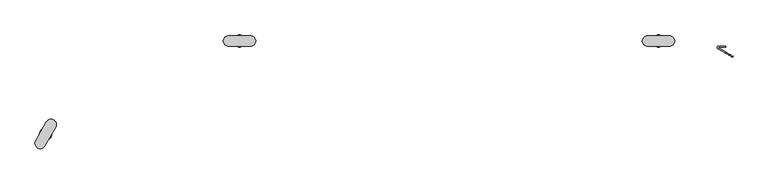
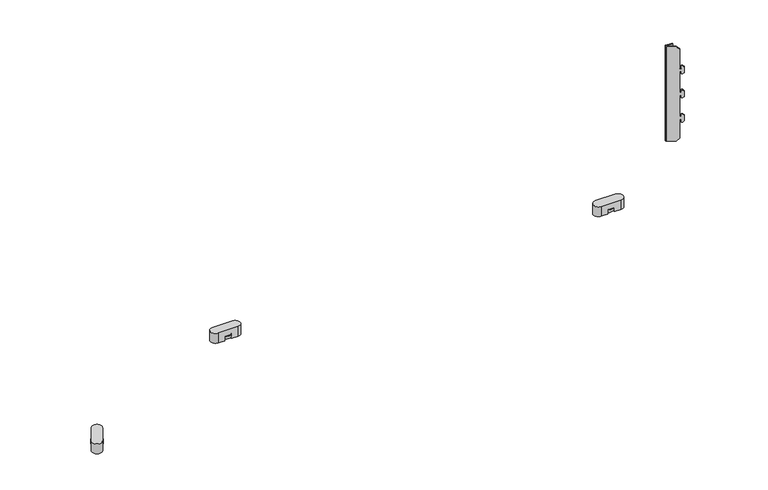
"""IFC4 building model written with IfcOpenShell, lengths in millimetres: furniture geometry."""

from ifc_helpers import new_model, si_unit, point, frame, frame_2d, origin, place, context, project, spatial, polyline, circle_curve, trimmed, segment, composite_curve, outline, extrude, source, transform, mapped, element, save
from ifc_brep_helpers import plane_surface, cylinder_surface, revolved_surface, advanced_brep


def furniture_07861d0c(model_context):
    return source(origin(), model_context, "Body", "SolidModel", [
        advanced_brep(
        [(1336.9143288, -32.9117824, 323.9031218), (1342.1770838, -35.9502354, 317.8262158), (1342.1770838, -35.9502354, 276.6756266), (1344.6104582, -37.3551448, 276.6756266), (1344.6104582, -37.3551448, 282.5751605), (1347.2407143, -38.8737238, 282.5751605), (1349.4442688, -40.1459466, 280.0307149), (1349.4442688, -40.1459466, 267.9465768), (1347.2433427, -38.8752413, 265.4051662), (1344.6104582, -37.3551448, 265.4051662), (1344.6104582, -37.3551448, 271.3105955), (1342.1770838, -35.9502354, 271.3105955), (1342.1770838, -35.9502354, 224.3556612), (1344.6104582, -37.3551448, 224.3556612), (1344.6104582, -37.3551448, 230.2551951), (1347.2407143, -38.8737238, 230.2551951), (1349.4442688, -40.1459466, 227.7107495), (1349.4442688, -40.1459466, 215.6266115), (1347.2433427, -38.8752413, 213.0852009), (1344.6104582, -37.3551448, 213.0852009), (1344.6104582, -37.3551448, 218.9906301), (1342.1770838, -35.9502354, 218.9906301), (1342.1770838, -35.9502354, 172.0256189), (1344.6104582, -37.3551448, 172.0256189), (1344.6104582, -37.3551448, 177.9251529), (1347.2407143, -38.8737238, 177.9251529), (1349.4442688, -40.1459466, 175.3807073), (1349.4442688, -40.1459466, 163.2965692), (1347.2433427, -38.8752413, 160.7551586), (1344.6104582, -37.3551448, 160.7551586), (1344.6104582, -37.3551448, 166.6605879), (1342.1770838, -35.9502354, 166.6605879), (1342.1770838, -35.9502354, 125.5200268), (1336.9143291, -32.9117826, 119.4431211), (1322.0765894, -24.3452096, 119.4431211), (1322.0765894, -24.3452096, 323.9031218), (1335.9681612, -34.5505935, 119.4431211), (1341.2309158, -37.5890463, 125.5200268), (1341.2309158, -37.5890463, 166.6605879), (1343.6642903, -38.9939558, 166.6605879), (1343.6642903, -38.9939558, 160.7551586), (1346.2971747, -40.5140523, 160.7551586), (1348.4981009, -41.7847576, 163.2965692), (1348.4981009, -41.7847576, 175.3807073), (1346.2945464, -40.5125348, 177.9251529), (1343.6642903, -38.9939558, 177.9251529), (1343.6642903, -38.9939558, 172.0256189), (1341.2309158, -37.5890463, 172.0256189), (1341.2309158, -37.5890463, 218.9906301), (1343.6642903, -38.9939558, 218.9906301), (1343.6642903, -38.9939558, 213.0852009), (1346.2971747, -40.5140523, 213.0852009), (1348.4981009, -41.7847576, 215.6266115), (1348.4981009, -41.7847576, 227.7107495), (1346.2945464, -40.5125348, 230.2551951), (1343.6642903, -38.9939558, 230.2551951), (1343.6642903, -38.9939558, 224.3556612), (1341.2309158, -37.5890463, 224.3556612), (1341.2309158, -37.5890463, 271.3105955), (1343.6642903, -38.9939558, 271.3105955), (1343.6642903, -38.9939558, 265.4051662), (1346.2971747, -40.5140523, 265.4051662), (1348.4981009, -41.7847576, 267.9465768), (1348.4981009, -41.7847576, 280.0307149), (1346.2945464, -40.5125348, 282.5751605), (1343.6642903, -38.9939558, 282.5751605), (1343.6642903, -38.9939558, 276.6756266), (1341.2309158, -37.5890463, 276.6756266), (1341.2309158, -37.5890463, 317.8262158), (1335.9681609, -34.5505933, 323.9031218), (1321.1304095, -25.9840136, 323.9031218), (1321.1304095, -25.9840136, 119.4431211), (1322.4622047, -22.9281911, 323.9031218), (1335.3405853, -22.9281911, 323.9031218), (1335.3405853, -21.0353091, 323.9031218), (1322.4622047, -21.0353091, 323.9031218), (1319.9241954, -22.8417185, 323.9031218), (1319.9241954, -22.8417185, 119.4431211), (1322.4622047, -21.0353091, 119.4431211), (1335.3405853, -21.0353091, 119.4431211), (1335.3405853, -22.9281911, 119.4431211), (1322.4622047, -22.9281911, 119.4431211)],
        [
            (0, 1),
            (1, 2),
            (2, 3),
            (3, 4),
            (4, 5),
            (5, 6),
            (6, 7),
            (7, 8),
            (8, 9),
            (9, 10),
            (10, 11),
            (11, 12),
            (12, 13),
            (13, 14),
            (14, 15),
            (15, 16),
            (16, 17),
            (17, 18),
            (18, 19),
            (19, 20),
            (20, 21),
            (21, 22),
            (22, 23),
            (23, 24),
            (24, 25),
            (25, 26),
            (26, 27),
            (27, 28),
            (28, 29),
            (29, 30),
            (30, 31),
            (31, 32),
            (32, 33),
            (33, 34),
            (34, 35),
            (35, 0),
            (36, 37),
            (37, 38),
            (38, 39),
            (39, 40),
            (40, 41),
            (41, 42),
            (42, 43),
            (43, 44),
            (44, 45),
            (45, 46),
            (46, 47),
            (47, 48),
            (48, 49),
            (49, 50),
            (50, 51),
            (51, 52),
            (52, 53),
            (53, 54),
            (54, 55),
            (55, 56),
            (56, 57),
            (57, 58),
            (58, 59),
            (59, 60),
            (60, 61),
            (61, 62),
            (62, 63),
            (63, 64),
            (64, 65),
            (65, 66),
            (66, 67),
            (67, 68),
            (68, 69),
            (69, 70),
            (70, 71),
            (71, 36),
            (35, 72, circle_curve(frame((1322.4562845, -23.6875583, 323.9031218), z_axis=(0.0, 0.0, -1.0), x_axis=(1.0, 0.0, 0.0)), 0.7593903)),
            (72, 73),
            (73, 74),
            (74, 75),
            (75, 76, circle_curve(frame((1322.4111897, -23.6497919, 323.9031218), z_axis=(0.0, 0.0, 1.0), x_axis=(1.0, 0.0, 0.0)), 2.6149805)),
            (76, 70, circle_curve(frame((1322.4675081, -23.6680909, 323.9031218), z_axis=(0.0, 0.0, 1.0), x_axis=(1.0, 0.0, 0.0)), 2.6741972)),
            (69, 0),
            (68, 1),
            (67, 2),
            (66, 3),
            (65, 4),
            (64, 5),
            (63, 6),
            (62, 7),
            (61, 8),
            (60, 9),
            (59, 10),
            (58, 11),
            (57, 12),
            (56, 13),
            (55, 14),
            (54, 15),
            (53, 16),
            (52, 17),
            (51, 18),
            (50, 19),
            (49, 20),
            (48, 21),
            (47, 22),
            (46, 23),
            (45, 24),
            (44, 25),
            (43, 26),
            (42, 27),
            (41, 28),
            (40, 29),
            (39, 30),
            (38, 31),
            (37, 32),
            (36, 33),
            (71, 77, circle_curve(frame((1322.4675081, -23.6680909, 119.4431211), z_axis=(0.0, 0.0, -1.0), x_axis=(1.0, 0.0, 0.0)), 2.6741972)),
            (77, 78, circle_curve(frame((1322.4111897, -23.6497919, 119.4431211), z_axis=(0.0, 0.0, -1.0), x_axis=(1.0, 0.0, 0.0)), 2.6149805)),
            (78, 79),
            (79, 80),
            (80, 81),
            (81, 34, circle_curve(frame((1322.4562845, -23.6875583, 119.4431211), z_axis=(0.0, 0.0, 1.0), x_axis=(1.0, 0.0, 0.0)), 0.7593903)),
            (81, 72),
            (80, 73),
            (79, 74),
            (78, 75),
            (77, 76),
        ],
        [
            plane_surface(frame((1330.5913574, -29.2612132, 323.9031218), z_axis=(0.5000000000000026, 0.8660254037844372, 0.0), x_axis=(0.0, 0.0, 1.0))),
            plane_surface(frame((1329.6451895, -30.9000241, 323.9031218), z_axis=(-0.5000000000000026, -0.8660254037844372, 0.0), x_axis=(0.0, 0.0, -1.0))),
            plane_surface(frame((1330.5913574, -29.2612132, 323.9031218), z_axis=(0.0, 0.0, 1.0), x_axis=(-0.5000000000000133, -0.866025403784431, 0.0))),
            plane_surface(frame((1336.9143288, -32.9117824, 323.9031218), z_axis=(0.6123724356957576, -0.35355339059326496, 0.7071067811865841), x_axis=(-0.5000000000000133, -0.866025403784431, 0.0))),
            plane_surface(frame((1342.1770838, -35.9502354, 317.8262158), z_axis=(0.866025403784431, -0.5000000000000133, 0.0), x_axis=(-0.5000000000000133, -0.866025403784431, 0.0))),
            plane_surface(frame((1342.1770838, -35.9502354, 276.6756266), z_axis=(0.0, 0.0, 1.0), x_axis=(-0.5000000000000133, -0.866025403784431, 0.0))),
            plane_surface(frame((1344.6104582, -37.3551448, 276.6756266), z_axis=(-0.8660254037844305, 0.5000000000000142, 0.0), x_axis=(-0.5000000000000142, -0.8660254037844305, 0.0))),
            plane_surface(frame((1344.6104582, -37.3551448, 282.5751605), z_axis=(0.0, 0.0, 1.0), x_axis=(-0.5000000000000133, -0.866025403784431, 0.0))),
            plane_surface(frame((1347.2407143, -38.8737238, 282.5751605), z_axis=(0.6123724356958354, -0.35355339059331076, 0.7071067811864937), x_axis=(-0.5000000000000142, -0.8660254037844305, 0.0))),
            plane_surface(frame((1349.4442688, -40.1459466, 280.0307149), z_axis=(0.8660254037844316, -0.5000000000000124, 0.0), x_axis=(-0.5000000000000124, -0.8660254037844316, 0.0))),
            plane_surface(frame((1349.4442688, -40.1459466, 267.9465768), z_axis=(0.6123724356957484, -0.3535533905932588, -0.7071067811865951), x_axis=(-0.5000000000000124, -0.8660254037844316, 0.0))),
            plane_surface(frame((1347.2433427, -38.8752413, 265.4051662), z_axis=(0.0, 0.0, -1.0), x_axis=(-0.5000000000000142, -0.8660254037844305, 0.0))),
            plane_surface(frame((1344.6104582, -37.3551448, 265.4051662), z_axis=(-0.8660254037844305, 0.5000000000000142, 0.0), x_axis=(-0.5000000000000142, -0.8660254037844305, 0.0))),
            plane_surface(frame((1344.6104582, -37.3551448, 271.3105955), z_axis=(0.0, 0.0, -1.0), x_axis=(-0.5000000000000142, -0.8660254037844305, 0.0))),
            plane_surface(frame((1342.1770838, -35.9502354, 271.3105955), z_axis=(0.8660254037844305, -0.5000000000000142, 0.0), x_axis=(-0.5000000000000142, -0.8660254037844305, 0.0))),
            plane_surface(frame((1342.1770838, -35.9502354, 224.3556612), z_axis=(0.0, 0.0, 1.0), x_axis=(-0.5000000000000133, -0.866025403784431, 0.0))),
            plane_surface(frame((1344.6104582, -37.3551448, 224.3556612), z_axis=(-0.8660254037844305, 0.5000000000000142, 0.0), x_axis=(-0.5000000000000142, -0.8660254037844305, 0.0))),
            plane_surface(frame((1344.6104582, -37.3551448, 230.2551951), z_axis=(0.0, 0.0, 1.0), x_axis=(-0.5000000000000142, -0.8660254037844305, 0.0))),
            plane_surface(frame((1347.2407143, -38.8737238, 230.2551951), z_axis=(0.6123724356958354, -0.35355339059331076, 0.7071067811864937), x_axis=(-0.5000000000000142, -0.8660254037844305, 0.0))),
            plane_surface(frame((1349.4442688, -40.1459466, 227.7107495), z_axis=(0.8660254037844316, -0.5000000000000124, 0.0), x_axis=(-0.5000000000000124, -0.8660254037844316, 0.0))),
            plane_surface(frame((1349.4442688, -40.1459466, 215.6266115), z_axis=(0.6123724356957484, -0.3535533905932588, -0.7071067811865951), x_axis=(-0.5000000000000124, -0.8660254037844316, 0.0))),
            plane_surface(frame((1347.2433427, -38.8752413, 213.0852009), z_axis=(0.0, 0.0, -1.0), x_axis=(-0.5000000000000142, -0.8660254037844305, 0.0))),
            plane_surface(frame((1344.6104582, -37.3551448, 213.0852009), z_axis=(-0.8660254037844305, 0.5000000000000142, 0.0), x_axis=(-0.5000000000000142, -0.8660254037844305, 0.0))),
            plane_surface(frame((1344.6104582, -37.3551448, 218.9906301), z_axis=(0.0, 0.0, -1.0), x_axis=(-0.5000000000000142, -0.8660254037844305, 0.0))),
            plane_surface(frame((1342.1770838, -35.9502354, 218.9906301), z_axis=(0.866025403784431, -0.5000000000000133, 0.0), x_axis=(-0.5000000000000133, -0.866025403784431, 0.0))),
            plane_surface(frame((1342.1770838, -35.9502354, 172.0256189), z_axis=(0.0, 0.0, 1.0), x_axis=(-0.5000000000000133, -0.866025403784431, 0.0))),
            plane_surface(frame((1344.6104582, -37.3551448, 172.0256189), z_axis=(-0.8660254037844305, 0.5000000000000142, 0.0), x_axis=(-0.5000000000000142, -0.8660254037844305, 0.0))),
            plane_surface(frame((1344.6104582, -37.3551448, 177.9251529), z_axis=(0.0, 0.0, 1.0), x_axis=(-0.5000000000000142, -0.8660254037844305, 0.0))),
            plane_surface(frame((1347.2407143, -38.8737238, 177.9251529), z_axis=(0.6123724356958354, -0.35355339059331076, 0.7071067811864937), x_axis=(-0.5000000000000142, -0.8660254037844305, 0.0))),
            plane_surface(frame((1349.4442688, -40.1459466, 175.3807073), z_axis=(0.8660254037844316, -0.5000000000000124, 0.0), x_axis=(-0.5000000000000124, -0.8660254037844316, 0.0))),
            plane_surface(frame((1349.4442688, -40.1459466, 163.2965692), z_axis=(0.6123724356957484, -0.3535533905932588, -0.7071067811865951), x_axis=(-0.5000000000000124, -0.8660254037844316, 0.0))),
            plane_surface(frame((1347.2433427, -38.8752413, 160.7551586), z_axis=(0.0, 0.0, -1.0), x_axis=(-0.5000000000000142, -0.8660254037844305, 0.0))),
            plane_surface(frame((1344.6104582, -37.3551448, 160.7551586), z_axis=(-0.8660254037844305, 0.5000000000000142, 0.0), x_axis=(-0.5000000000000142, -0.8660254037844305, 0.0))),
            plane_surface(frame((1344.6104582, -37.3551448, 166.6605879), z_axis=(0.0, 0.0, -1.0), x_axis=(-0.5000000000000142, -0.8660254037844305, 0.0))),
            plane_surface(frame((1342.1770838, -35.9502354, 166.6605879), z_axis=(0.866025403784431, -0.5000000000000133, 0.0), x_axis=(-0.5000000000000133, -0.866025403784431, 0.0))),
            plane_surface(frame((1342.1770838, -35.9502354, 125.5200268), z_axis=(0.6123724356957685, -0.3535533905932713, -0.7071067811865716), x_axis=(-0.5000000000000133, -0.866025403784431, 0.0))),
            plane_surface(frame((1336.9143291, -32.9117826, 119.4431211), z_axis=(0.0, 0.0, -1.0), x_axis=(-0.5000000000000133, -0.866025403784431, 0.0))),
            revolved_surface(polyline([(1323.2156748, -23.6875583, 119.4431211), (1323.2156748, -23.6875583, 323.9031218)]), (1322.4562845, -23.6875583, 119.4431211), (0.0, 0.0, -1.0)),
            plane_surface(frame((1322.4622047, -22.9281911, 323.9031218), z_axis=(0.0, -1.0, 0.0), x_axis=(0.0, 0.0, -1.0))),
            plane_surface(frame((1335.3405853, -22.9281911, 323.9031218), z_axis=(1.0, 0.0, 0.0), x_axis=(0.0, 0.0, -1.0))),
            plane_surface(frame((1335.3405853, -21.0353091, 323.9031218), z_axis=(0.0, 1.0, 0.0), x_axis=(0.0, 0.0, -1.0))),
            cylinder_surface(frame((1322.4111897, -23.6497919, 119.4431211), z_axis=(0.0, 0.0, 1.0), x_axis=(1.0, 0.0, 0.0)), 2.6149805),
            cylinder_surface(frame((1322.4675081, -23.6680909, 119.4431211), z_axis=(0.0, 0.0, 1.0), x_axis=(1.0, 0.0, 0.0)), 2.6741972),
        ],
        [
            (0, [[1, 2, 3, 4, 5, 6, 7, 8, 9, 10, 11, 12, 13, 14, 15, 16, 17, 18, 19, 20, 21, 22, 23, 24, 25, 26, 27, 28, 29, 30, 31, 32, 33, 34, 35, 36]]),
            (1, [[37, 38, 39, 40, 41, 42, 43, 44, 45, 46, 47, 48, 49, 50, 51, 52, 53, 54, 55, 56, 57, 58, 59, 60, 61, 62, 63, 64, 65, 66, 67, 68, 69, 70, 71, 72]]),
            (2, [[-36, 73, 74, 75, 76, 77, 78, -70, 79]]),
            (3, [[-1, -79, -69, 80]]),
            (4, [[-2, -80, -68, 81]]),
            (5, [[-3, -81, -67, 82]]),
            (6, [[-4, -82, -66, 83]]),
            (7, [[-5, -83, -65, 84]]),
            (8, [[-6, -84, -64, 85]]),
            (9, [[-7, -85, -63, 86]]),
            (10, [[-8, -86, -62, 87]]),
            (11, [[-9, -87, -61, 88]]),
            (12, [[-10, -88, -60, 89]]),
            (13, [[-11, -89, -59, 90]]),
            (14, [[-12, -90, -58, 91]]),
            (15, [[-13, -91, -57, 92]]),
            (16, [[-14, -92, -56, 93]]),
            (17, [[-15, -93, -55, 94]]),
            (18, [[-16, -94, -54, 95]]),
            (19, [[-17, -95, -53, 96]]),
            (20, [[-18, -96, -52, 97]]),
            (21, [[-19, -97, -51, 98]]),
            (22, [[-20, -98, -50, 99]]),
            (23, [[-21, -99, -49, 100]]),
            (24, [[-22, -100, -48, 101]]),
            (25, [[-23, -101, -47, 102]]),
            (26, [[-24, -102, -46, 103]]),
            (27, [[-25, -103, -45, 104]]),
            (28, [[-26, -104, -44, 105]]),
            (29, [[-27, -105, -43, 106]]),
            (30, [[-28, -106, -42, 107]]),
            (31, [[-29, -107, -41, 108]]),
            (32, [[-30, -108, -40, 109]]),
            (33, [[-31, -109, -39, 110]]),
            (34, [[-32, -110, -38, 111]]),
            (35, [[-33, -111, -37, 112]]),
            (36, [[-34, -112, -72, 113, 114, 115, 116, 117, 118]]),
            (37, [[-73, -35, -118, 119]]),
            (38, [[-74, -119, -117, 120]]),
            (39, [[-75, -120, -116, 121]]),
            (40, [[-76, -121, -115, 122]]),
            (41, [[-77, -122, -114, 123]]),
            (42, [[-78, -123, -113, -71]]),
        ],
    ),
        extrude(outline(composite_curve([segment(trimmed(circle_curve(frame_2d((62.4516152, -185.3692234)), 11.4974827), [point((50.9541325, -185.3692234))], [point((73.9490979, -185.3692234))], False, "CARTESIAN"), True, "CONTINUOUS"), segment(trimmed(circle_curve(frame_2d((62.4516152, -185.3692234)), 11.4974827), [point((73.9490979, -185.3692234))], [point((50.9541325, -185.3692234))], False, "CARTESIAN"), True, "CONTINUOUS")], self_intersect=False)), frame((0.0, 0.0, 2.910432), z_axis=(0.0, 0.0, 1.0), x_axis=(1.0, 0.0, 0.0)), (0.0, 0.0, 1.0), 5.9399384),
        extrude(outline(composite_curve([segment(trimmed(circle_curve(frame_2d((425.5052491, -11.4875032)), 11.4974827), [point((414.0077664, -11.4875032))], [point((437.0027319, -11.4875032))], False, "CARTESIAN"), True, "CONTINUOUS"), segment(trimmed(circle_curve(frame_2d((425.5052491, -11.4875032)), 11.4974827), [point((437.0027319, -11.4875032))], [point((414.0077664, -11.4875032))], False, "CARTESIAN"), True, "CONTINUOUS")], self_intersect=False)), frame((0.0, 0.0, 2.910432), z_axis=(0.0, 0.0, 1.0), x_axis=(1.0, 0.0, 0.0)), (0.0, 0.0, 1.0), 5.9399384),
        extrude(outline(composite_curve([segment(trimmed(circle_curve(frame_2d((1209.8412623, -11.4974436)), 11.4974827), [point((1198.3437796, -11.4974436))], [point((1221.3387451, -11.4974436))], False, "CARTESIAN"), True, "CONTINUOUS"), segment(trimmed(circle_curve(frame_2d((1209.8412623, -11.4974436)), 11.4974827), [point((1221.3387451, -11.4974436))], [point((1198.3437796, -11.4974436))], False, "CARTESIAN"), True, "CONTINUOUS")], self_intersect=False)), frame((0.0, 0.0, 2.910432), z_axis=(0.0, 0.0, 1.0), x_axis=(1.0, 0.0, 0.0)), (0.0, 0.0, 1.0), 5.9399384),
        advanced_brep(
        [(63.8834619, -162.8513762, 21.125433), (43.683913, -197.8380211, 21.125433), (61.037186, -207.8569379, 21.125433), (81.2367348, -172.870293, 21.125433), (63.8834619, -162.8513762, 0.0), (81.2367348, -172.870293, 0.0), (74.6165064, -184.3368649, 0.0), (57.2632335, -174.3179481, 0.0), (61.037186, -207.8569379, 0.0), (43.683913, -197.8380211, 0.0), (50.3041414, -186.3714492, 0.0), (67.6574143, -196.390366, 0.0), (57.2632335, -174.3179481, 8.8503704), (50.3041414, -186.3714492, 8.8503704), (67.6574143, -196.390366, 8.8503704), (74.6165064, -184.3368649, 8.8503704)],
        [
            (0, 1),
            (1, 2, circle_curve(frame((52.3605495, -202.8474795, 21.125433), z_axis=(0.0, 0.0, 1.0), x_axis=(0.4999999999999962, -0.8660254037844408, 0.0)), 10.0189168)),
            (2, 3),
            (3, 0, circle_curve(frame((72.5600983, -167.8608346, 21.125433), z_axis=(0.0, 0.0, 1.0), x_axis=(1.0, 0.0, 0.0)), 10.0189168)),
            (4, 5, circle_curve(frame((72.5600983, -167.8608346, 0.0), z_axis=(0.0, 0.0, -1.0), x_axis=(1.0, 0.0, 0.0)), 10.0189168)),
            (5, 6),
            (6, 7, circle_curve(frame((61.5705182, -186.8953457, 0.0), z_axis=(0.0, 0.0, 1.0), x_axis=(0.499999999999998, -0.8660254037844398, 0.0)), 13.2944963)),
            (7, 4),
            (8, 9, circle_curve(frame((52.3605495, -202.8474795, 0.0), z_axis=(0.0, 0.0, -1.0), x_axis=(0.4999999999999962, -0.8660254037844408, 0.0)), 10.0189168)),
            (9, 10),
            (10, 11, circle_curve(frame((63.3501296, -183.8129684, 0.0), z_axis=(0.0, 0.0, 1.0), x_axis=(1.0, 0.0, 0.0)), 13.2944963)),
            (11, 8),
            (0, 4),
            (7, 12),
            (12, 13),
            (13, 10),
            (9, 1),
            (8, 2),
            (11, 14),
            (14, 15),
            (15, 6),
            (5, 3),
            (14, 13, circle_curve(frame((63.3501296, -183.8129684, 8.8503704), z_axis=(0.0, 0.0, -1.0), x_axis=(1.0, 0.0, 0.0)), 13.2944963)),
            (12, 15, circle_curve(frame((61.5705182, -186.8953457, 8.8503704), z_axis=(0.0, 0.0, -1.0), x_axis=(0.499999999999998, -0.8660254037844398, 0.0)), 13.2944963)),
        ],
        [
            plane_surface(frame((43.683913, -197.8380211, 21.125433), z_axis=(0.0, 0.0, 1.0), x_axis=(-0.5000000000000022, -0.8660254037844374, 0.0))),
            plane_surface(frame((43.683913, -197.8380211, 0.0), z_axis=(0.0, 0.0, -1.0), x_axis=(0.5000000000000022, 0.8660254037844374, 0.0))),
            plane_surface(frame((63.8834619, -162.8513762, 21.125433), z_axis=(-0.8660254037844374, 0.5000000000000022, 0.0), x_axis=(0.0, 0.0, -1.0))),
            cylinder_surface(frame((52.3605495, -202.8474795, 0.0), z_axis=(0.0, 0.0, 1.0), x_axis=(0.4999999999999962, -0.8660254037844408, 0.0)), 10.0189168),
            plane_surface(frame((61.037186, -207.8569379, 21.125433), z_axis=(0.8660254037844388, -0.49999999999999983, 0.0), x_axis=(0.0, 0.0, -1.0))),
            cylinder_surface(frame((72.5600983, -167.8608346, 0.0), z_axis=(0.0, 0.0, 1.0), x_axis=(1.0, 0.0, 0.0)), 10.0189168),
            plane_surface(frame((68.2177664, -198.4087172, 8.8503704), z_axis=(0.0, 0.0, -1.0), x_axis=(0.8660254037844398, 0.499999999999998, 0.0))),
            revolved_surface(polyline([(68.21776634999998, -198.40871722631826, 8.8503704), (68.21776634999998, -198.40871722631826, 0.0)]), (61.5705182, -186.8953457, 0.0), (0.0, 0.0, 1.0)),
            revolved_surface(polyline([(76.64462590000001, -183.8129684, 8.8503704), (76.64462590000001, -183.8129684, 0.0)]), (63.3501296, -183.8129684, 0.0), (0.0, 0.0, 1.0)),
        ],
        [
            (0, [[1, 2, 3, 4]]),
            (1, [[5, 6, 7, 8]]),
            (1, [[9, 10, 11, 12]]),
            (2, [[-1, 13, -8, 14, 15, 16, -10, 17]]),
            (3, [[-2, -17, -9, 18]]),
            (4, [[-3, -18, -12, 19, 20, 21, -6, 22]]),
            (5, [[-4, -22, -5, -13]]),
            (6, [[23, -15, 24, -20]]),
            (7, [[-24, -14, -7, -21]]),
            (8, [[-23, -19, -11, -16]]),
        ],
    ),
        advanced_brep(
        [(445.704798, -1.4685864, 21.125433), (405.3057003, -1.4685864, 21.125433), (405.3057003, -21.5064199, 21.125433), (445.704798, -21.5064199, 21.125433), (445.704798, -1.4685864, 0.0), (445.704798, -21.5064199, 0.0), (432.5146315, -21.5064199, 0.0), (432.5146315, -1.4685864, 0.0), (405.3057003, -21.5064199, 0.0), (405.3057003, -1.4685864, 0.0), (418.5964473, -1.4685864, 0.0), (418.5964473, -21.5064199, 0.0), (432.5146315, -1.4685864, 8.8503704), (418.5964473, -1.4685864, 8.8503704), (418.5964473, -21.5064199, 8.8503704), (432.5146315, -21.5064199, 8.8503704)],
        [
            (0, 1),
            (1, 2, circle_curve(frame((405.3057003, -11.4875032, 21.125433), z_axis=(0.0, 0.0, 1.0), x_axis=(-0.5000000000000067, -0.8660254037844348, 0.0)), 10.0189168)),
            (2, 3),
            (3, 0, circle_curve(frame((445.704798, -11.4875032, 21.125433), z_axis=(0.0, 0.0, 1.0), x_axis=(0.4999999999999971, -0.8660254037844404, 0.0)), 10.0189168)),
            (4, 5, circle_curve(frame((445.704798, -11.4875032, 0.0), z_axis=(0.0, 0.0, -1.0), x_axis=(0.4999999999999971, -0.8660254037844404, 0.0)), 10.0189168)),
            (5, 6),
            (6, 7, circle_curve(frame((423.775928, -11.4875032, 0.0), z_axis=(0.0, 0.0, 1.0), x_axis=(-0.49999999999999867, -0.8660254037844395, 0.0)), 13.2944963)),
            (7, 4),
            (8, 9, circle_curve(frame((405.3057003, -11.4875032, 0.0), z_axis=(0.0, 0.0, -1.0), x_axis=(-0.5000000000000067, -0.8660254037844348, 0.0)), 10.0189168)),
            (9, 10),
            (10, 11, circle_curve(frame((427.3351508, -11.4875032, 0.0), z_axis=(0.0, 0.0, 1.0), x_axis=(0.5000000000000033, -0.8660254037844367, 0.0)), 13.2944963)),
            (11, 8),
            (0, 4),
            (7, 12),
            (12, 13),
            (13, 10),
            (9, 1),
            (8, 2),
            (11, 14),
            (14, 15),
            (15, 6),
            (5, 3),
            (14, 13, circle_curve(frame((427.3351508, -11.4875032, 8.8503704), z_axis=(0.0, 0.0, -1.0), x_axis=(0.5000000000000033, -0.8660254037844367, 0.0)), 13.2944963)),
            (12, 15, circle_curve(frame((423.775928, -11.4875032, 8.8503704), z_axis=(0.0, 0.0, -1.0), x_axis=(-0.49999999999999867, -0.8660254037844395, 0.0)), 13.2944963)),
        ],
        [
            plane_surface(frame((43.683913, -197.8380211, 21.125433), z_axis=(0.0, 0.0, 1.0), x_axis=(-0.5000000000000022, -0.8660254037844374, 0.0))),
            plane_surface(frame((43.683913, -197.8380211, 0.0), z_axis=(0.0, 0.0, -1.0), x_axis=(0.5000000000000022, 0.8660254037844374, 0.0))),
            plane_surface(frame((445.704798, -1.4685864, 21.125433), z_axis=(0.0, 1.0, 0.0), x_axis=(0.0, 0.0, -1.0))),
            cylinder_surface(frame((405.3057003, -11.4875032, 0.0), z_axis=(0.0, 0.0, 0.9999999999999999), x_axis=(-0.5000000000000067, -0.8660254037844348, 0.0)), 10.0189168),
            plane_surface(frame((405.3057003, -21.5064199, 21.125433), z_axis=(0.0, -1.0, 0.0), x_axis=(0.0, 0.0, -1.0))),
            cylinder_surface(frame((445.704798, -11.4875032, 0.0), z_axis=(0.0, 0.0, 1.0), x_axis=(0.4999999999999971, -0.8660254037844404, 0.0)), 10.0189168),
            plane_surface(frame((68.2177664, -198.4087172, 8.8503704), z_axis=(0.0, 0.0, -1.0), x_axis=(0.8660254037844398, 0.499999999999998, 0.0))),
            revolved_surface(polyline([(417.12867985, -23.000874726318237, 8.8503704), (417.12867985, -23.000874726318237, 0.0)]), (423.775928, -11.4875032, 0.0), (0.0, 0.0, 1.0)),
            revolved_surface(polyline([(433.98239895000006, -23.0008747263182, 8.8503704), (433.98239895000006, -23.0008747263182, 0.0)]), (427.3351508, -11.4875032, 0.0), (0.0, 0.0, 1.0)),
        ],
        [
            (0, [[1, 2, 3, 4]]),
            (1, [[5, 6, 7, 8]]),
            (1, [[9, 10, 11, 12]]),
            (2, [[-1, 13, -8, 14, 15, 16, -10, 17]]),
            (3, [[-2, -17, -9, 18]]),
            (4, [[-3, -18, -12, 19, 20, 21, -6, 22]]),
            (5, [[-4, -22, -5, -13]]),
            (6, [[23, -15, 24, -20]]),
            (7, [[-24, -14, -7, -21]]),
            (8, [[-23, -19, -11, -16]]),
        ],
    ),
        advanced_brep(
        [(1230.0408112, -1.4785268, 21.125433), (1189.6417135, -1.4785268, 21.125433), (1189.6417135, -21.5163604, 21.125433), (1230.0408112, -21.5163604, 21.125433), (1230.0408112, -1.4785268, 0.0), (1230.0408112, -21.5163604, 0.0), (1216.8506447, -21.5163604, 0.0), (1216.8506447, -1.4785268, 0.0), (1189.6417135, -21.5163604, 0.0), (1189.6417135, -1.4785268, 0.0), (1202.9324605, -1.4785268, 0.0), (1202.9324605, -21.5163604, 0.0), (1216.8506447, -1.4785268, 8.8503704), (1202.9324605, -1.4785268, 8.8503704), (1202.9324605, -21.5163604, 8.8503704), (1216.8506447, -21.5163604, 8.8503704)],
        [
            (0, 1),
            (1, 2, circle_curve(frame((1189.6417135, -11.4974436, 21.125433), z_axis=(0.0, 0.0, 1.0), x_axis=(-0.5000000000000067, -0.8660254037844348, 0.0)), 10.0189168)),
            (2, 3),
            (3, 0, circle_curve(frame((1230.0408112, -11.4974436, 21.125433), z_axis=(0.0, 0.0, 1.0), x_axis=(0.4999999999999971, -0.8660254037844404, 0.0)), 10.0189168)),
            (4, 5, circle_curve(frame((1230.0408112, -11.4974436, 0.0), z_axis=(0.0, 0.0, -1.0), x_axis=(0.4999999999999971, -0.8660254037844404, 0.0)), 10.0189168)),
            (5, 6),
            (6, 7, circle_curve(frame((1208.1119412, -11.4974436, 0.0), z_axis=(0.0, 0.0, 1.0), x_axis=(-0.49999999999999867, -0.8660254037844395, 0.0)), 13.2944963)),
            (7, 4),
            (8, 9, circle_curve(frame((1189.6417135, -11.4974436, 0.0), z_axis=(0.0, 0.0, -1.0), x_axis=(-0.5000000000000067, -0.8660254037844348, 0.0)), 10.0189168)),
            (9, 10),
            (10, 11, circle_curve(frame((1211.671164, -11.4974436, 0.0), z_axis=(0.0, 0.0, 1.0), x_axis=(0.5000000000000033, -0.8660254037844367, 0.0)), 13.2944963)),
            (11, 8),
            (0, 4),
            (7, 12),
            (12, 13),
            (13, 10),
            (9, 1),
            (8, 2),
            (11, 14),
            (14, 15),
            (15, 6),
            (5, 3),
            (14, 13, circle_curve(frame((1211.671164, -11.4974436, 8.8503704), z_axis=(0.0, 0.0, -1.0), x_axis=(0.5000000000000033, -0.8660254037844367, 0.0)), 13.2944963)),
            (12, 15, circle_curve(frame((1208.1119412, -11.4974436, 8.8503704), z_axis=(0.0, 0.0, -1.0), x_axis=(-0.49999999999999867, -0.8660254037844395, 0.0)), 13.2944963)),
        ],
        [
            plane_surface(frame((43.683913, -197.8380211, 21.125433), z_axis=(0.0, 0.0, 1.0), x_axis=(-0.5000000000000022, -0.8660254037844374, 0.0))),
            plane_surface(frame((43.683913, -197.8380211, 0.0), z_axis=(0.0, 0.0, -1.0), x_axis=(0.5000000000000022, 0.8660254037844374, 0.0))),
            plane_surface(frame((1230.0408112, -1.4785268, 21.125433), z_axis=(0.0, 1.0, 0.0), x_axis=(0.0, 0.0, -1.0))),
            cylinder_surface(frame((1189.6417135, -11.4974436, 0.0), z_axis=(0.0, 0.0, 0.9999999999999999), x_axis=(-0.5000000000000067, -0.8660254037844348, 0.0)), 10.0189168),
            plane_surface(frame((1189.6417135, -21.5163604, 21.125433), z_axis=(0.0, -1.0, 0.0), x_axis=(0.0, 0.0, -1.0))),
            cylinder_surface(frame((1230.0408112, -11.4974436, 0.0), z_axis=(0.0, 0.0, 1.0), x_axis=(0.4999999999999971, -0.8660254037844404, 0.0)), 10.0189168),
            plane_surface(frame((68.2177664, -198.4087172, 8.8503704), z_axis=(0.0, 0.0, -1.0), x_axis=(0.8660254037844398, 0.499999999999998, 0.0))),
            revolved_surface(polyline([(1201.46469305, -23.010815126318235, 8.8503704), (1201.46469305, -23.010815126318235, 0.0)]), (1208.1119412, -11.4974436, 0.0), (0.0, 0.0, 1.0)),
            revolved_surface(polyline([(1218.31841215, -23.0108151263182, 8.8503704), (1218.31841215, -23.0108151263182, 0.0)]), (1211.671164, -11.4974436, 0.0), (0.0, 0.0, 1.0)),
        ],
        [
            (0, [[1, 2, 3, 4]]),
            (1, [[5, 6, 7, 8]]),
            (1, [[9, 10, 11, 12]]),
            (2, [[-1, 13, -8, 14, 15, 16, -10, 17]]),
            (3, [[-2, -17, -9, 18]]),
            (4, [[-3, -18, -12, 19, 20, 21, -6, 22]]),
            (5, [[-4, -22, -5, -13]]),
            (6, [[23, -15, 24, -20]]),
            (7, [[-24, -14, -7, -21]]),
            (8, [[-23, -19, -11, -16]]),
        ],
    ),
    ])


if __name__ == "__main__":
    model = new_model("IFC4")
    model_context = context("Model", 3, world=origin())
    ifc_project = project(units=[si_unit("LENGTHUNIT", "METRE", prefix="MILLI")], contexts=[model_context])
    site = spatial("IfcSite", under=ifc_project)
    building = spatial("IfcBuilding", under=site)
    placement = place(None, origin())
    furniture_shape = furniture_07861d0c(model_context)
    element("IfcFurniture", 1, at=placement, inside=building, context=model_context, shape_type="MappedRepresentation", body=[
        mapped(furniture_shape, transform((0.0, 0.0, 0.0), x_axis=(1.0, 0.0, 0.0), y_axis=(0.0, 1.0, 0.0), z_axis=(0.0, 0.0, 1.0))),
    ])
    save(model, "model.ifc")
